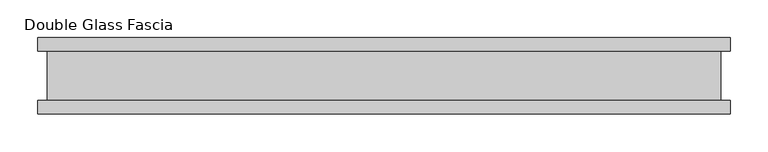
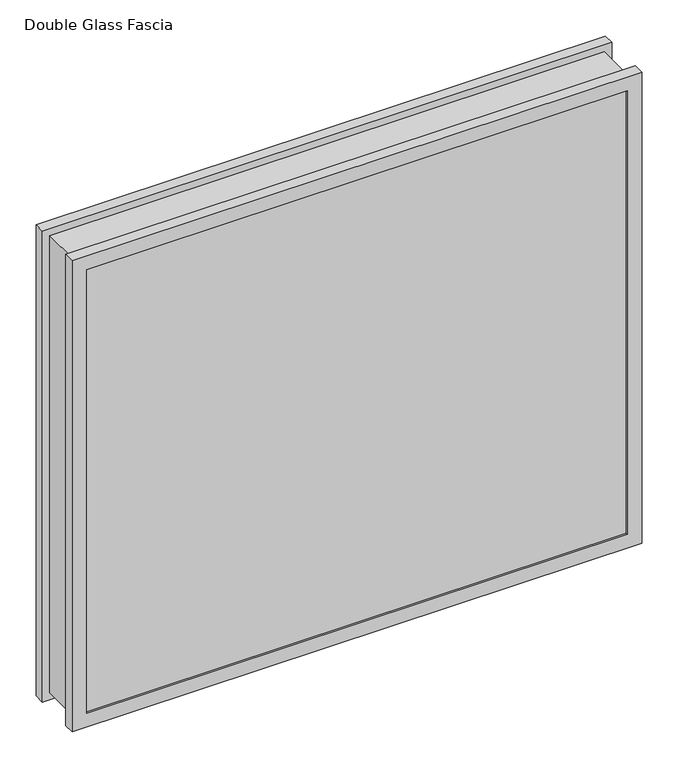
"""IFC4 building model written with IfcOpenShell, lengths in millimetres: proxy geometry, Double Glass Fascia."""

import ifcopenshell
import ifcopenshell.guid

model = None  # the IFC model being written
_history = None  # IfcOwnerHistory: only IFC2X3 demands one
_inside = {}  # id of a spatial element -> (the spatial element, [elements in it])
_under = {}  # id of a project, library or spatial element -> (it, [spatial elements below it])
_declared = {}  # id of a project -> (the project, [libraries it declares])
_typed = {}  # id of a type object -> (the type object, [elements of that type])
_made_of = {}  # id of a material, layer set ... -> (it, [elements and type objects made of it])


def new_model(schema):
    """Start an empty IFC model of exactly this schema.

    Asked for "IFC4X3", IfcOpenShell would pick the latest addendum, in which some entities
    have other attributes; the version numbers below select the first issue.
    IFC2X3 requires an IfcOwnerHistory on every rooted entity: one is made here for all.
    """
    global model, _history
    if schema == "IFC4X3":
        model = ifcopenshell.file(schema_version=(4, 3, 0, 0))
    else:
        model = ifcopenshell.file(schema=schema)
    _inside.clear()
    _under.clear()
    _declared.clear()
    _typed.clear()
    _made_of.clear()
    _history = None
    if model.schema == "IFC2X3":
        org = make("IfcOrganization", Name="unknown")
        user = make(
            "IfcPersonAndOrganization",
            ThePerson=make("IfcPerson", FamilyName="unknown"),
            TheOrganization=org,
        )
        app = make(
            "IfcApplication",
            ApplicationDeveloper=org,
            Version="unknown",
            ApplicationFullName="unknown",
            ApplicationIdentifier="unknown",
        )
        _history = make(
            "IfcOwnerHistory",
            OwningUser=user,
            OwningApplication=app,
            ChangeAction="ADDED",
            CreationDate=0,
        )
    return model


def make(cls, **values):
    """One entity of the class cls with the attributes given. An attribute that is None is left unset."""
    return model.create_entity(
        cls, **{name: value for name, value in values.items() if value is not None}
    )


def rooted(cls, **values):
    """An entity with a GlobalId (a new one), such as an element, a storey or a relation."""
    return make(cls, GlobalId=ifcopenshell.guid.new(), OwnerHistory=_history, **values)


def si_unit(unit_type, name, prefix=None):
    """IfcSIUnit, for example si_unit("LENGTHUNIT", "METRE", prefix="MILLI")."""
    return make("IfcSIUnit", UnitType=unit_type, Prefix=prefix, Name=name)


def assignment(units):
    """IfcUnitAssignment: the units of a project."""
    return None if units is None else make("IfcUnitAssignment", Units=units)


def point(xyz):
    """IfcCartesianPoint."""
    return None if xyz is None else make("IfcCartesianPoint", Coordinates=xyz)


def direction(xyz):
    """IfcDirection."""
    return None if xyz is None else make("IfcDirection", DirectionRatios=xyz)


def frame(location, z_axis=None, x_axis=None):
    """IfcAxis2Placement3D, a coordinate frame: its origin and axes. An axis left out is left unset."""
    return make(
        "IfcAxis2Placement3D",
        Location=point(location),
        Axis=direction(z_axis),
        RefDirection=direction(x_axis),
    )


def origin():
    """The frame at (0, 0, 0) with its axes left unset."""
    return frame((0.0, 0.0, 0.0))


def place(relative_to, where):
    """IfcLocalPlacement: puts the frame where relative to a parent placement (None: the world)."""
    return make(
        "IfcLocalPlacement", PlacementRelTo=relative_to, RelativePlacement=where
    )


def context(
    kind, dimensions, precision=None, world=None, true_north=None, identifier=None
):
    """IfcGeometricRepresentationContext, for example the 3D "Model" context."""
    return make(
        "IfcGeometricRepresentationContext",
        ContextIdentifier=identifier,
        ContextType=kind,
        CoordinateSpaceDimension=dimensions,
        Precision=precision,
        WorldCoordinateSystem=world,
        TrueNorth=true_north,
    )


def project(units=None, contexts=None):
    """IfcProject with its units and contexts."""
    return rooted(
        "IfcProject",
        Name="project",
        RepresentationContexts=contexts,
        UnitsInContext=assignment(units),
    )


def spatial(cls, under=None, at=None, **own):
    """A site, building, storey or space (cls), placed at a placement, below another one or the project."""
    s = rooted(cls, ObjectPlacement=at, **own)
    if under is not None:
        _under.setdefault(under.id(), (under, []))[1].append(s)
    return s


def polyline(points):
    """IfcPolyline through the points."""
    return make("IfcPolyline", Points=[point(p) for p in points])


def outline(outer, holes=None, kind="AREA"):
    """IfcArbitraryClosedProfileDef: a profile drawn as a closed curve; with holes, ...WithVoids."""
    if holes is None:
        return make("IfcArbitraryClosedProfileDef", ProfileType=kind, OuterCurve=outer)
    return make(
        "IfcArbitraryProfileDefWithVoids",
        ProfileType=kind,
        OuterCurve=outer,
        InnerCurves=holes,
    )


def extrude(swept, where, along, depth):
    """IfcExtrudedAreaSolid: the profile swept, set in the frame where, extruded along a direction by depth."""
    return make(
        "IfcExtrudedAreaSolid",
        SweptArea=swept,
        Position=where,
        ExtrudedDirection=direction(along),
        Depth=depth,
    )


def faces_of(points, faces, orient=None, outer=None):
    """IfcFace entities. A face is a list of loops; a loop is a list of indices into points, from 0.

    orient and outer hold one flag for each loop. By default every Orientation is true, the
    first loop of a face is its IfcFaceOuterBound and the others are IfcFaceBound.
    """
    made = []
    for i, loops in enumerate(faces):
        bounds = []
        for j, loop in enumerate(loops):
            is_outer = j == 0 if outer is None else outer[i][j]
            bounds.append(
                make(
                    "IfcFaceOuterBound" if is_outer else "IfcFaceBound",
                    Bound=make("IfcPolyLoop", Polygon=[points[k] for k in loop]),
                    Orientation=True if orient is None else orient[i][j],
                )
            )
        made.append(make("IfcFace", Bounds=bounds))
    return made


def faceted_brep(points, faces, orient=None, outer=None, voids=None):
    """IfcFacetedBrep: a solid bounded by flat faces; with voids (closed shells), ...WithVoids."""
    shared = [point(p) for p in points]
    hull = make("IfcClosedShell", CfsFaces=faces_of(shared, faces, orient, outer))
    if voids is None:
        return make("IfcFacetedBrep", Outer=hull)
    return make(
        "IfcFacetedBrepWithVoids",
        Outer=hull,
        Voids=[
            make(cls, CfsFaces=faces_of(shared, fs, o, b)) for cls, fs, o, b in voids
        ],
    )


def shape(context_of_items, identifier, shape_type, items):
    """IfcShapeRepresentation: the items that make up one representation, for example the "Body"."""
    return make(
        "IfcShapeRepresentation",
        ContextOfItems=context_of_items,
        RepresentationIdentifier=identifier,
        RepresentationType=shape_type,
        Items=items,
    )


def source(mapping_origin, context_of_items, identifier, shape_type, items):
    """IfcRepresentationMap: a shape defined once, which mapped items show again and again."""
    return make(
        "IfcRepresentationMap",
        MappingOrigin=mapping_origin,
        MappedRepresentation=shape(context_of_items, identifier, shape_type, items),
    )


def transform(
    local_origin,
    x_axis=None,
    y_axis=None,
    z_axis=None,
    scale=None,
    scale2=None,
    scale3=None,
    uniform=True,
):
    """IfcCartesianTransformationOperator3D, or its non-uniform kind. x_axis, y_axis, z_axis: its Axis1, 2, 3."""
    if uniform:
        return make(
            "IfcCartesianTransformationOperator3D",
            Axis1=direction(x_axis),
            Axis2=direction(y_axis),
            LocalOrigin=point(local_origin),
            Scale=scale,
            Axis3=direction(z_axis),
        )
    return make(
        "IfcCartesianTransformationOperator3DnonUniform",
        Axis1=direction(x_axis),
        Axis2=direction(y_axis),
        LocalOrigin=point(local_origin),
        Scale=scale,
        Axis3=direction(z_axis),
        Scale2=scale2,
        Scale3=scale3,
    )


def mapped(mapping_source, mapping_target):
    """IfcMappedItem: shows the shape of a source again, moved by a transform."""
    return make(
        "IfcMappedItem", MappingSource=mapping_source, MappingTarget=mapping_target
    )


def made_of(thing, what):
    """Note that an element or type object is made of a material, layer set ...; save() writes the relation."""
    if what is not None:
        _made_of.setdefault(what.id(), (what, []))[1].append(thing)
    return thing


def element(
    cls,
    number,
    at=None,
    inside=None,
    cuts=None,
    type_object=None,
    material=None,
    context=None,
    identifier="Body",
    shape_type=None,
    held_by="IfcProductDefinitionShape",
    body=None,
    shapes=None,
    **own,
):
    """One element of the class cls, such as IfcWall. Its Tag is "e" and its number.

    at: its placement. inside: the storey or other place that contains it. cuts: it is an
    opening in that element (IfcRelVoidsElement). A single representation is given by context,
    identifier, shape_type and body (its items); several are given by shapes. held_by: the class
    of the entity that holds the representations. save() writes the other relations.
    """
    e = rooted(cls, Tag="e%d" % number, ObjectPlacement=at, **own)
    if body is not None:
        shapes = [shape(context, identifier, shape_type, body)]
    if shapes is not None:
        e.Representation = make(held_by, Representations=shapes)
    if inside is not None:
        _inside.setdefault(inside.id(), (inside, []))[1].append(e)
    if cuts is not None:
        rooted(
            "IfcRelVoidsElement", RelatingBuildingElement=cuts, RelatedOpeningElement=e
        )
    if type_object is not None:
        _typed.setdefault(type_object.id(), (type_object, []))[1].append(e)
    return made_of(e, material)


def aggregate(whole, parts):
    """IfcRelAggregates: a whole, such as a stair, and the parts it consists of."""
    return rooted("IfcRelAggregates", RelatingObject=whole, RelatedObjects=parts)


def save(model, path):
    """Write the relations noted so far, then the file.

    IfcRelAggregates (storeys below a building ...), IfcRelContainedInSpatialStructure (elements
    in a storey), IfcRelDefinesByType, IfcRelAssociatesMaterial and IfcRelDeclares: one each for
    every whole, place, type object, material and project.
    """
    for whole, parts in _under.values():
        aggregate(whole, parts)
    for where, things in _inside.values():
        rooted(
            "IfcRelContainedInSpatialStructure",
            RelatedElements=things,
            RelatingStructure=where,
        )
    for kind, things in _typed.values():
        rooted("IfcRelDefinesByType", RelatedObjects=things, RelatingType=kind)
    for what, things in _made_of.values():
        rooted("IfcRelAssociatesMaterial", RelatedObjects=things, RelatingMaterial=what)
    for by, libraries in _declared.values():
        rooted("IfcRelDeclares", RelatingContext=by, RelatedDefinitions=libraries)
    model.write(path)


def double_glass_fascia_ab88bf4e(model_context):
    return source(origin(), model_context, "Body", "SolidModel", [
        faceted_brep([(443.5493012, 32.4352299, 787.400885), (443.5493012, -32.4352299, 787.400885), (443.5493012, -32.4352299, 15.0359151), (443.5493012, 32.4352299, 15.0359151), (-443.5493012, -32.4352299, 15.0359151), (-443.5493012, 32.4352299, 15.0359151), (-443.5493012, -32.4352299, 787.400885), (-443.5493012, 32.4352299, 787.400885), (432.3724163, -38.8962152, 776.2240001), (432.3724163, 38.8962152, 776.2240001), (432.3724163, 38.8962152, 26.2128), (432.3724163, -38.8962152, 26.2128), (449.1070555, -47.1322551, 792.9586393), (449.1070555, -38.8962152, 792.9586393), (449.1070555, -38.8962152, 9.4781608), (449.1070555, -47.1322551, 9.4781608), (432.1946163, -50.0558594, 776.0462001), (432.1946163, -47.1322551, 776.0462001), (432.1946163, -47.1322551, 26.3906), (432.1946163, -50.0558594, 26.3906), (455.4102163, -32.4352299, 799.2618001), (455.4102163, -50.0558594, 799.2618001), (455.4102163, -50.0558594, 3.175), (455.4102163, -32.4352299, 3.175), (-432.3724163, 38.8962152, 26.2128), (-432.3724163, -38.8962152, 26.2128), (-449.1070555, -38.8962152, 9.4781608), (-449.1070555, -47.1322551, 9.4781608), (-432.1946163, -47.1322551, 26.3906), (-432.1946163, -50.0558594, 26.3906), (-455.4102163, -50.0558594, 3.175), (-455.4102163, -32.4352299, 3.175), (-432.3724163, 38.8962152, 776.2240001), (-432.3724163, -38.8962152, 776.2240001), (-449.1070555, -38.8962152, 792.9586393), (-449.1070555, -47.1322551, 792.9586393), (-432.1946163, -47.1322551, 776.0462001), (-432.1946163, -50.0558594, 776.0462001), (-455.4102163, -50.0558594, 799.2618001), (-455.4102163, -32.4352299, 799.2618001), (455.4102163, 50.0558594, 799.2618001), (455.4102163, 32.4352299, 799.2618001), (455.4102163, 32.4352299, 3.175), (455.4102163, 50.0558594, 3.175), (432.3724163, 47.1322551, 776.2240001), (432.3724163, 50.0558594, 776.2240001), (432.3724163, 50.0558594, 26.2128), (432.3724163, 47.1322551, 26.2128), (449.1070555, 38.8962152, 792.9586393), (449.1070555, 47.1322551, 792.9586393), (449.1070555, 47.1322551, 9.4781608), (449.1070555, 38.8962152, 9.4781608), (-455.4102163, 32.4352299, 3.175), (-455.4102163, 50.0558594, 3.175), (-432.3724163, 50.0558594, 26.2128), (-432.3724163, 47.1322551, 26.2128), (-449.1070555, 47.1322551, 9.4781608), (-449.1070555, 38.8962152, 9.4781608), (-455.4102163, 32.4352299, 799.2618001), (-455.4102163, 50.0558594, 799.2618001), (-432.3724163, 50.0558594, 776.2240001), (-432.3724163, 47.1322551, 776.2240001), (-449.1070555, 47.1322551, 792.9586393), (-449.1070555, 38.8962152, 792.9586393)], [[[0, 1, 2, 3]], [[3, 2, 4, 5]], [[5, 4, 6, 7]], [[7, 6, 1, 0]], [[8, 9, 10, 11]], [[12, 13, 14, 15]], [[16, 17, 18, 19]], [[20, 21, 22, 23]], [[11, 10, 24, 25]], [[15, 14, 26, 27]], [[19, 18, 28, 29]], [[23, 22, 30, 31]], [[25, 24, 32, 33]], [[27, 26, 34, 35]], [[29, 28, 36, 37]], [[31, 30, 38, 39]], [[33, 32, 9, 8]], [[13, 34, 26, 14], [11, 25, 33, 8]], [[35, 34, 13, 12]], [[15, 27, 35, 12], [17, 36, 28, 18]], [[37, 36, 17, 16]], [[21, 38, 30, 22], [19, 29, 37, 16]], [[39, 38, 21, 20]], [[23, 31, 39, 20], [1, 6, 4, 2]], [[40, 41, 42, 43]], [[44, 45, 46, 47]], [[48, 49, 50, 51]], [[43, 42, 52, 53]], [[47, 46, 54, 55]], [[51, 50, 56, 57]], [[53, 52, 58, 59]], [[55, 54, 60, 61]], [[57, 56, 62, 63]], [[41, 58, 52, 42], [3, 5, 7, 0]], [[59, 58, 41, 40]], [[43, 53, 59, 40], [45, 60, 54, 46]], [[61, 60, 45, 44]], [[49, 62, 56, 50], [47, 55, 61, 44]], [[63, 62, 49, 48]], [[51, 57, 63, 48], [9, 32, 24, 10]]]),
        extrude(outline(polyline([(444.5852163, -40.9277344), (444.5852163, -46.8808594), (-444.5852163, -46.8808594), (-444.5852163, -40.9277344), (444.5852163, -40.9277344)])), frame((0.0, 0.0, 5.3275263), z_axis=(0.0, 0.0, 1.0), x_axis=(1.0, 0.0, 0.0)), (0.0, 0.0, 1.0), 791.2877281),
        extrude(outline(polyline([(444.5852163, 41.1791301), (-444.5852163, 41.1791301), (-444.5852163, 47.1322551), (444.5852163, 47.1322551), (444.5852163, 41.1791301)])), frame((0.0, 0.0, 5.3275263), z_axis=(0.0, 0.0, 1.0), x_axis=(1.0, 0.0, 0.0)), (0.0, 0.0, 1.0), 791.2877281),
    ])


if __name__ == "__main__":
    model = new_model("IFC4")
    model_context = context("Model", 3, world=origin())
    ifc_project = project(units=[si_unit("LENGTHUNIT", "METRE", prefix="MILLI")], contexts=[model_context])
    site = spatial("IfcSite", under=ifc_project)
    building = spatial("IfcBuilding", under=site)
    placement = place(None, origin())
    double_glass_fascia_shape = double_glass_fascia_ab88bf4e(model_context)
    element("IfcBuildingElementProxy", 1, Name="Double Glass Fascia", ObjectType="Double Glass Fascia", at=placement, inside=building, context=model_context, shape_type="MappedRepresentation", body=[
        mapped(double_glass_fascia_shape, transform((0.0, 0.0, 0.0), x_axis=(1.0, 0.0, 0.0), y_axis=(0.0, 1.0, 0.0), z_axis=(0.0, 0.0, 1.0))),
    ])
    save(model, "model.ifc")
